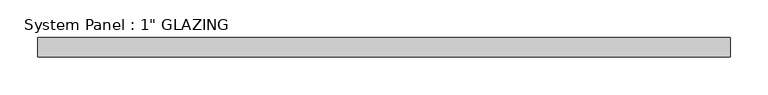
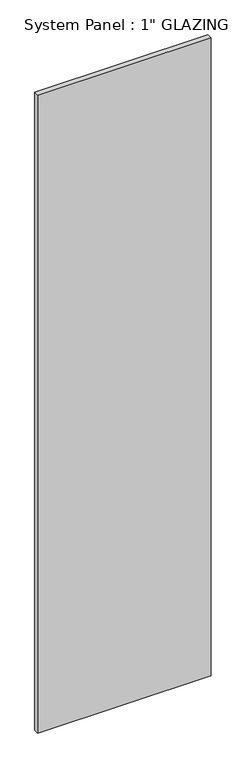
"""IFC4 building model written with IfcOpenShell, lengths in millimetres: plate geometry."""

import ifcopenshell
import ifcopenshell.guid

model = None  # the IFC model being written
_history = None  # IfcOwnerHistory: only IFC2X3 demands one
_inside = {}  # id of a spatial element -> (the spatial element, [elements in it])
_under = {}  # id of a project, library or spatial element -> (it, [spatial elements below it])
_declared = {}  # id of a project -> (the project, [libraries it declares])
_typed = {}  # id of a type object -> (the type object, [elements of that type])
_made_of = {}  # id of a material, layer set ... -> (it, [elements and type objects made of it])


def new_model(schema):
    """Start an empty IFC model of exactly this schema.

    Asked for "IFC4X3", IfcOpenShell would pick the latest addendum, in which some entities
    have other attributes; the version numbers below select the first issue.
    IFC2X3 requires an IfcOwnerHistory on every rooted entity: one is made here for all.
    """
    global model, _history
    if schema == "IFC4X3":
        model = ifcopenshell.file(schema_version=(4, 3, 0, 0))
    else:
        model = ifcopenshell.file(schema=schema)
    _inside.clear()
    _under.clear()
    _declared.clear()
    _typed.clear()
    _made_of.clear()
    _history = None
    if model.schema == "IFC2X3":
        org = make("IfcOrganization", Name="unknown")
        user = make(
            "IfcPersonAndOrganization",
            ThePerson=make("IfcPerson", FamilyName="unknown"),
            TheOrganization=org,
        )
        app = make(
            "IfcApplication",
            ApplicationDeveloper=org,
            Version="unknown",
            ApplicationFullName="unknown",
            ApplicationIdentifier="unknown",
        )
        _history = make(
            "IfcOwnerHistory",
            OwningUser=user,
            OwningApplication=app,
            ChangeAction="ADDED",
            CreationDate=0,
        )
    return model


def make(cls, **values):
    """One entity of the class cls with the attributes given. An attribute that is None is left unset."""
    return model.create_entity(
        cls, **{name: value for name, value in values.items() if value is not None}
    )


def rooted(cls, **values):
    """An entity with a GlobalId (a new one), such as an element, a storey or a relation."""
    return make(cls, GlobalId=ifcopenshell.guid.new(), OwnerHistory=_history, **values)


def si_unit(unit_type, name, prefix=None):
    """IfcSIUnit, for example si_unit("LENGTHUNIT", "METRE", prefix="MILLI")."""
    return make("IfcSIUnit", UnitType=unit_type, Prefix=prefix, Name=name)


def assignment(units):
    """IfcUnitAssignment: the units of a project."""
    return None if units is None else make("IfcUnitAssignment", Units=units)


def point(xyz):
    """IfcCartesianPoint."""
    return None if xyz is None else make("IfcCartesianPoint", Coordinates=xyz)


def direction(xyz):
    """IfcDirection."""
    return None if xyz is None else make("IfcDirection", DirectionRatios=xyz)


def frame(location, z_axis=None, x_axis=None):
    """IfcAxis2Placement3D, a coordinate frame: its origin and axes. An axis left out is left unset."""
    return make(
        "IfcAxis2Placement3D",
        Location=point(location),
        Axis=direction(z_axis),
        RefDirection=direction(x_axis),
    )


def origin():
    """The frame at (0, 0, 0) with its axes left unset."""
    return frame((0.0, 0.0, 0.0))


def origin_with_axes():
    """The frame at (0, 0, 0) with the z axis (0, 0, 1) and the x axis (1, 0, 0) written out."""
    return frame((0.0, 0.0, 0.0), z_axis=(0.0, 0.0, 1.0), x_axis=(1.0, 0.0, 0.0))


def place(relative_to, where):
    """IfcLocalPlacement: puts the frame where relative to a parent placement (None: the world)."""
    return make(
        "IfcLocalPlacement", PlacementRelTo=relative_to, RelativePlacement=where
    )


def context(
    kind, dimensions, precision=None, world=None, true_north=None, identifier=None
):
    """IfcGeometricRepresentationContext, for example the 3D "Model" context."""
    return make(
        "IfcGeometricRepresentationContext",
        ContextIdentifier=identifier,
        ContextType=kind,
        CoordinateSpaceDimension=dimensions,
        Precision=precision,
        WorldCoordinateSystem=world,
        TrueNorth=true_north,
    )


def project(units=None, contexts=None):
    """IfcProject with its units and contexts."""
    return rooted(
        "IfcProject",
        Name="project",
        RepresentationContexts=contexts,
        UnitsInContext=assignment(units),
    )


def spatial(cls, under=None, at=None, **own):
    """A site, building, storey or space (cls), placed at a placement, below another one or the project."""
    s = rooted(cls, ObjectPlacement=at, **own)
    if under is not None:
        _under.setdefault(under.id(), (under, []))[1].append(s)
    return s


def polyline(points):
    """IfcPolyline through the points."""
    return make("IfcPolyline", Points=[point(p) for p in points])


def outline(outer, holes=None, kind="AREA"):
    """IfcArbitraryClosedProfileDef: a profile drawn as a closed curve; with holes, ...WithVoids."""
    if holes is None:
        return make("IfcArbitraryClosedProfileDef", ProfileType=kind, OuterCurve=outer)
    return make(
        "IfcArbitraryProfileDefWithVoids",
        ProfileType=kind,
        OuterCurve=outer,
        InnerCurves=holes,
    )


def extrude(swept, where, along, depth):
    """IfcExtrudedAreaSolid: the profile swept, set in the frame where, extruded along a direction by depth."""
    return make(
        "IfcExtrudedAreaSolid",
        SweptArea=swept,
        Position=where,
        ExtrudedDirection=direction(along),
        Depth=depth,
    )


def shape(context_of_items, identifier, shape_type, items):
    """IfcShapeRepresentation: the items that make up one representation, for example the "Body"."""
    return make(
        "IfcShapeRepresentation",
        ContextOfItems=context_of_items,
        RepresentationIdentifier=identifier,
        RepresentationType=shape_type,
        Items=items,
    )


def source(mapping_origin, context_of_items, identifier, shape_type, items):
    """IfcRepresentationMap: a shape defined once, which mapped items show again and again."""
    return make(
        "IfcRepresentationMap",
        MappingOrigin=mapping_origin,
        MappedRepresentation=shape(context_of_items, identifier, shape_type, items),
    )


def transform(
    local_origin,
    x_axis=None,
    y_axis=None,
    z_axis=None,
    scale=None,
    scale2=None,
    scale3=None,
    uniform=True,
):
    """IfcCartesianTransformationOperator3D, or its non-uniform kind. x_axis, y_axis, z_axis: its Axis1, 2, 3."""
    if uniform:
        return make(
            "IfcCartesianTransformationOperator3D",
            Axis1=direction(x_axis),
            Axis2=direction(y_axis),
            LocalOrigin=point(local_origin),
            Scale=scale,
            Axis3=direction(z_axis),
        )
    return make(
        "IfcCartesianTransformationOperator3DnonUniform",
        Axis1=direction(x_axis),
        Axis2=direction(y_axis),
        LocalOrigin=point(local_origin),
        Scale=scale,
        Axis3=direction(z_axis),
        Scale2=scale2,
        Scale3=scale3,
    )


def mapped(mapping_source, mapping_target):
    """IfcMappedItem: shows the shape of a source again, moved by a transform."""
    return make(
        "IfcMappedItem", MappingSource=mapping_source, MappingTarget=mapping_target
    )


def made_of(thing, what):
    """Note that an element or type object is made of a material, layer set ...; save() writes the relation."""
    if what is not None:
        _made_of.setdefault(what.id(), (what, []))[1].append(thing)
    return thing


def element(
    cls,
    number,
    at=None,
    inside=None,
    cuts=None,
    type_object=None,
    material=None,
    context=None,
    identifier="Body",
    shape_type=None,
    held_by="IfcProductDefinitionShape",
    body=None,
    shapes=None,
    **own,
):
    """One element of the class cls, such as IfcWall. Its Tag is "e" and its number.

    at: its placement. inside: the storey or other place that contains it. cuts: it is an
    opening in that element (IfcRelVoidsElement). A single representation is given by context,
    identifier, shape_type and body (its items); several are given by shapes. held_by: the class
    of the entity that holds the representations. save() writes the other relations.
    """
    e = rooted(cls, Tag="e%d" % number, ObjectPlacement=at, **own)
    if body is not None:
        shapes = [shape(context, identifier, shape_type, body)]
    if shapes is not None:
        e.Representation = make(held_by, Representations=shapes)
    if inside is not None:
        _inside.setdefault(inside.id(), (inside, []))[1].append(e)
    if cuts is not None:
        rooted(
            "IfcRelVoidsElement", RelatingBuildingElement=cuts, RelatedOpeningElement=e
        )
    if type_object is not None:
        _typed.setdefault(type_object.id(), (type_object, []))[1].append(e)
    return made_of(e, material)


def aggregate(whole, parts):
    """IfcRelAggregates: a whole, such as a stair, and the parts it consists of."""
    return rooted("IfcRelAggregates", RelatingObject=whole, RelatedObjects=parts)


def save(model, path):
    """Write the relations noted so far, then the file.

    IfcRelAggregates (storeys below a building ...), IfcRelContainedInSpatialStructure (elements
    in a storey), IfcRelDefinesByType, IfcRelAssociatesMaterial and IfcRelDeclares: one each for
    every whole, place, type object, material and project.
    """
    for whole, parts in _under.values():
        aggregate(whole, parts)
    for where, things in _inside.values():
        rooted(
            "IfcRelContainedInSpatialStructure",
            RelatedElements=things,
            RelatingStructure=where,
        )
    for kind, things in _typed.values():
        rooted("IfcRelDefinesByType", RelatedObjects=things, RelatingType=kind)
    for what, things in _made_of.values():
        rooted("IfcRelAssociatesMaterial", RelatedObjects=things, RelatingMaterial=what)
    for by, libraries in _declared.values():
        rooted("IfcRelDeclares", RelatingContext=by, RelatedDefinitions=libraries)
    model.write(path)


def plate_d3439c0e(model_context):
    return source(origin(), model_context, "Body", "SweptSolid", [
        extrude(outline(polyline([(457.2, -12.7), (-457.2, -12.7), (-457.2, 12.7), (457.2, 12.7), (457.2, -12.7)])), origin_with_axes(), (0.0, 0.0, 1.0), 3556.0),
    ])


if __name__ == "__main__":
    model = new_model("IFC4")
    model_context = context("Model", 3, world=origin())
    ifc_project = project(units=[si_unit("LENGTHUNIT", "METRE", prefix="MILLI")], contexts=[model_context])
    site = spatial("IfcSite", under=ifc_project)
    building = spatial("IfcBuilding", under=site)
    placement = place(None, origin())
    plate_shape = plate_d3439c0e(model_context)
    element("IfcPlate", 1, ObjectType="System Panel : 1\" GLAZING", at=placement, inside=building, context=model_context, shape_type="MappedRepresentation", body=[
        mapped(plate_shape, transform((0.0, 0.0, 0.0), x_axis=(1.0, 0.0, 0.0), y_axis=(0.0, 1.0, 0.0), z_axis=(0.0, 0.0, 1.0))),
    ])
    save(model, "model.ifc")
